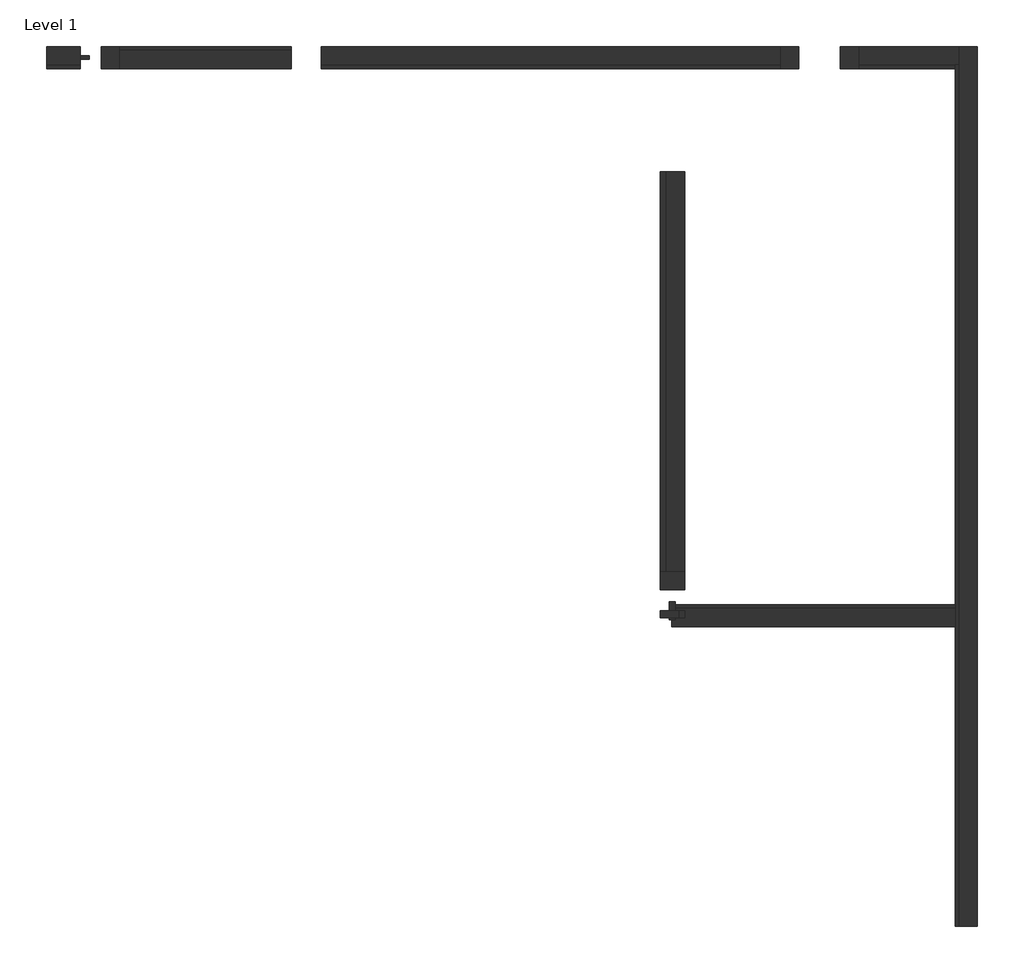
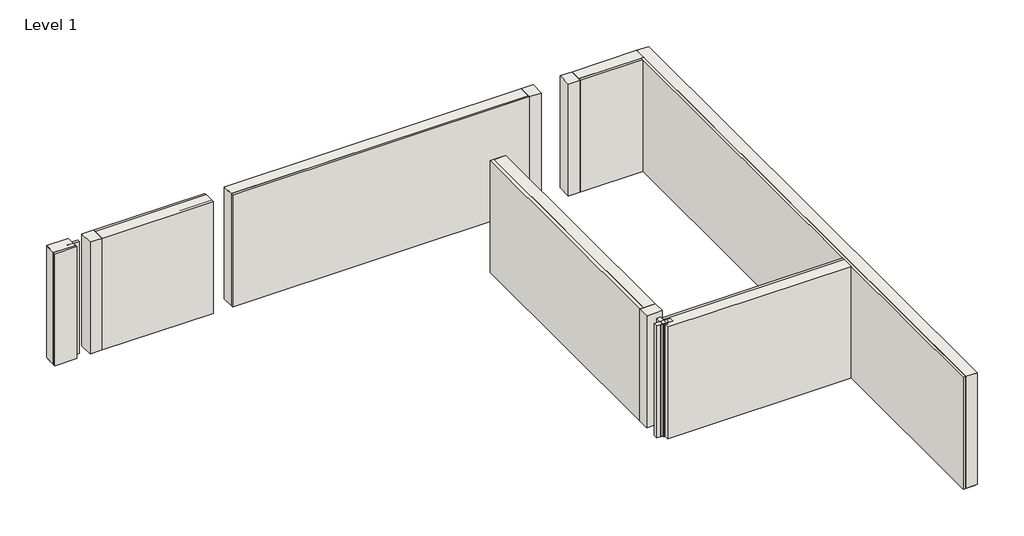
# One storey: 22 walls.
"""IFC4 building model written with IfcOpenShell, lengths in millimetres."""

from ifc_helpers import new_model, si_unit, origin, origin_with_axes, place, context, project, spatial, polyline, outline, extrude, faceted_brep, element, save

model = new_model("IFC4")

# Units and contexts
model_context = context("Model", 3, world=origin())
ifc_project = project(units=[si_unit("LENGTHUNIT", "METRE", prefix="MILLI")], contexts=[model_context])

# Site, building, storey
site = spatial("IfcSite", under=ifc_project)
building = spatial("IfcBuilding", under=site)
storey = spatial("IfcBuildingStorey", under=building, Name="Level 1", Elevation=0.0)

# Walls
placement = place(None, origin())
element("IfcWall", 1, ObjectType="Wall 1", at=placement, inside=storey, context=model_context, shape_type="Brep", body=[
    faceted_brep([(30667.3, -357.5, 0.0), (30667.3, 28967.3, 0.0), (30667.3, 28967.3, 6096.0), (30667.3, -357.5, 6096.0), (30057.7, -357.5, 0.0), (30057.7, -357.5, 6096.0), (30057.7, 28232.7, 6096.0), (30057.7, 28357.7, 6096.0), (30057.7, 28842.3, 6096.0), (30057.7, 28967.3, 6096.0), (30057.7, 28967.3, 0.0), (30057.7, 28842.3, 0.0), (30057.7, 28357.7, 0.0), (30057.7, 28232.7, 0.0)], [[[0, 1, 2, 3]], [[4, 5, 6, 7, 8, 9, 10, 11, 12, 13]], [[1, 0, 4, 13, 12, 11, 10]], [[3, 2, 9, 8, 7, 6, 5]], [[0, 3, 5, 4]], [[2, 1, 10, 9]]]),
])
element("IfcWall", 2, ObjectType="Wall 1", at=placement, inside=storey, context=model_context, shape_type="Brep", body=[
    faceted_brep([(30542.3, -357.5, 0.0), (30542.3, 28357.7, 0.0), (30542.3, 28357.7, 6096.0), (30542.3, -357.5, 6096.0), (29932.7, -357.5, 0.0), (29932.7, -357.5, 6096.0), (29932.7, 9632.7, 6096.0), (29932.7, 9757.7, 6096.0), (29932.7, 10242.3, 6096.0), (29932.7, 10367.3, 6096.0), (29932.7, 28357.7, 6096.0), (29932.7, 28357.7, 0.0), (29932.7, 10367.3, 0.0), (29932.7, 10242.3, 0.0), (29932.7, 9757.7, 0.0), (29932.7, 9632.7, 0.0), (30057.7, 28357.7, 0.0), (30057.7, 28357.7, 6096.0)], [[[0, 1, 2, 3]], [[4, 5, 6, 7, 8, 9, 10, 11, 12, 13, 14, 15]], [[1, 0, 4, 15, 14, 13, 12, 11, 16]], [[3, 2, 17, 10, 9, 8, 7, 6, 5]], [[0, 3, 5, 4]], [[2, 1, 16, 11, 10, 17]]]),
])
element("IfcWall", 3, ObjectType="Wall 1", at=placement, inside=storey, context=model_context, shape_type="SweptSolid", body=[
    extrude(outline(polyline([(24095.2, 28357.7), (8800.0, 28357.7), (8800.0, 28967.3), (24095.2, 28967.3), (24095.2, 28357.7)])), origin_with_axes(), (0.0, 0.0, 1.0), 6096.0),
])
element("IfcWall", 4, ObjectType="Wall 1", at=placement, inside=storey, context=model_context, shape_type="SweptSolid", body=[
    extrude(outline(polyline([(24095.2, 28232.7), (8800.0, 28232.7), (8800.0, 28842.3), (24095.2, 28842.3), (24095.2, 28232.7)])), origin_with_axes(), (0.0, 0.0, 1.0), 6096.0),
])
element("IfcWall", 5, ObjectType="Wall 1", at=placement, inside=storey, context=model_context, shape_type="SweptSolid", body=[
    extrude(outline(polyline([(20904.8, 24800.0), (20904.8, 11469.3703098), (20295.2, 11469.3703098), (20295.2, 24800.0), (20904.8, 24800.0)])), origin_with_axes(), (0.0, 0.0, 1.0), 6096.0),
])
element("IfcWall", 6, ObjectType="Wall 1", at=placement, inside=storey, context=model_context, shape_type="SweptSolid", body=[
    extrude(outline(polyline([(20704.8, 24800.0), (20704.8, 11469.3703098), (20095.2, 11469.3703098), (20095.2, 24800.0), (20704.8, 24800.0)])), origin_with_axes(), (0.0, 0.0, 1.0), 6096.0),
])
element("IfcWall", 7, ObjectType="Wall 1", at=placement, inside=storey, context=model_context, shape_type="SweptSolid", body=[
    extrude(outline(polyline([(29932.7, 9632.7), (20475.0, 9632.7), (20475.0, 10242.3), (29932.7, 10242.3), (29932.7, 9632.7)])), origin_with_axes(), (0.0, 0.0, 1.0), 6096.0),
])
element("IfcWall", 8, ObjectType="Wall 1", at=placement, inside=storey, context=model_context, shape_type="Brep", body=[
    faceted_brep([(20600.0, 9757.7, 0.0), (29932.7, 9757.7, 0.0), (29932.7, 9757.7, 6096.0), (20600.0, 9757.7, 6096.0), (20600.0, 10367.3, 0.0), (20600.0, 10367.3, 6096.0), (29932.7, 10367.3, 6096.0), (29932.7, 10367.3, 0.0), (20600.0, 9859.7703098, 0.0), (20600.0, 9859.7703098, 6096.0)], [[[0, 1, 2, 3]], [[4, 5, 6, 7]], [[1, 0, 8, 4, 7]], [[3, 2, 6, 5, 9]], [[0, 3, 9, 5, 4, 8]], [[2, 1, 7, 6]]]),
])
element("IfcWall", 9, ObjectType="Wall 1", at=placement, inside=storey, context=model_context, shape_type="SweptSolid", body=[
    extrude(outline(polyline([(7800.0, 28232.7), (2072.9979692, 28232.7), (2072.9979692, 28842.3), (7800.0, 28842.3), (7800.0, 28232.7)])), origin_with_axes(), (0.0, 0.0, 1.0), 6096.0),
])
element("IfcWall", 10, ObjectType="Wall 1", at=placement, inside=storey, context=model_context, shape_type="SweptSolid", body=[
    extrude(outline(polyline([(7800.0, 28357.7), (2072.9979692, 28357.7), (2072.9979692, 28967.3), (7800.0, 28967.3), (7800.0, 28357.7)])), origin_with_axes(), (0.0, 0.0, 1.0), 6096.0),
])
element("IfcWall", 11, ObjectType="Wall 1", at=placement, inside=storey, context=model_context, shape_type="Brep", body=[
    faceted_brep([(26704.8, 28357.7, 0.0), (29932.7, 28357.7, 0.0), (30057.7, 28357.7, 0.0), (30057.7, 28357.7, 6096.0), (29932.7, 28357.7, 6096.0), (26704.8, 28357.7, 6096.0), (26704.8, 28967.3, 0.0), (26704.8, 28967.3, 6096.0), (30057.7, 28967.3, 6096.0), (30057.7, 28967.3, 0.0)], [[[0, 1, 2, 3, 4, 5]], [[6, 7, 8, 9]], [[2, 1, 0, 6, 9]], [[5, 4, 3, 8, 7]], [[3, 2, 9, 8]], [[0, 5, 7, 6]]]),
])
element("IfcWall", 12, ObjectType="Wall 1", at=placement, inside=storey, context=model_context, shape_type="SweptSolid", body=[
    extrude(outline(polyline([(30057.7, 28232.7), (26704.8, 28232.7), (26704.8, 28842.3), (30057.7, 28842.3), (30057.7, 28232.7)])), origin_with_axes(), (0.0, 0.0, 1.0), 6096.0),
])
element("IfcWall", 13, ObjectType="Wall 1", at=placement, inside=storey, context=model_context, shape_type="SweptSolid", body=[
    extrude(outline(polyline([(768.1979692, 28357.7), (-357.5, 28357.7), (-357.5, 28967.3), (768.1979692, 28967.3), (768.1979692, 28357.7)])), origin_with_axes(), (0.0, 0.0, 1.0), 6096.0),
])
element("IfcWall", 14, ObjectType="Wall 1", at=placement, inside=storey, context=model_context, shape_type="SweptSolid", body=[
    extrude(outline(polyline([(768.1979692, 28232.7), (-357.5, 28232.7), (-357.5, 28842.3), (768.1979692, 28842.3), (768.1979692, 28232.7)])), origin_with_axes(), (0.0, 0.0, 1.0), 6096.0),
])
element("IfcWall", 15, ObjectType="Wall 1", at=placement, inside=storey, context=model_context, shape_type="SweptSolid", body=[
    extrude(outline(polyline([(20704.8, 10164.5703098), (20704.8, 9937.5), (20095.2, 9937.5), (20095.2, 10164.5703098), (20704.8, 10164.5703098)])), origin_with_axes(), (0.0, 0.0, 1.0), 6096.0),
])
element("IfcWall", 16, ObjectType="Wall 1", at=placement, inside=storey, context=model_context, shape_type="Brep", body=[
    faceted_brep([(20400.0, 9859.7703098, 0.0), (20600.0, 9859.7703098, 0.0), (20600.0, 9859.7703098, 6096.0), (20400.0, 9859.7703098, 6096.0), (20400.0, 10469.3703098, 0.0), (20400.0, 10469.3703098, 6096.0), (20600.0, 10469.3703098, 6096.0), (20600.0, 10469.3703098, 0.0), (20600.0, 10367.3, 0.0), (20600.0, 10367.3, 6096.0)], [[[0, 1, 2, 3]], [[4, 5, 6, 7]], [[1, 0, 4, 7, 8]], [[2, 1, 8, 7, 6, 9]], [[3, 2, 9, 6, 5]], [[0, 3, 5, 4]]]),
])
element("IfcWall", 17, ObjectType="Wall 1", at=placement, inside=storey, context=model_context, shape_type="Brep", body=[
    faceted_brep([(20095.2, 10859.7703098, 0.0), (20904.8, 10859.7703098, 0.0), (20904.8, 10859.7703098, 6096.0), (20095.2, 10859.7703098, 6096.0), (20095.2, 11469.3703098, 0.0), (20095.2, 11469.3703098, 6096.0), (20295.2, 11469.3703098, 6096.0), (20704.8, 11469.3703098, 6096.0), (20904.8, 11469.3703098, 6096.0), (20904.8, 11469.3703098, 0.0), (20704.8, 11469.3703098, 0.0), (20295.2, 11469.3703098, 0.0)], [[[0, 1, 2, 3]], [[4, 5, 6, 7, 8, 9, 10, 11]], [[1, 0, 4, 11, 10, 9]], [[3, 2, 8, 7, 6, 5]], [[2, 1, 9, 8]], [[0, 3, 5, 4]]]),
])
element("IfcWall", 18, ObjectType="Wall 1", at=placement, inside=storey, context=model_context, shape_type="Brep", body=[
    faceted_brep([(24704.8, 28232.7, 0.0), (24704.8, 28967.3, 0.0), (24704.8, 28967.3, 6096.0), (24704.8, 28232.7, 6096.0), (24095.2, 28232.7, 0.0), (24095.2, 28232.7, 6096.0), (24095.2, 28357.7, 6096.0), (24095.2, 28842.3, 6096.0), (24095.2, 28967.3, 6096.0), (24095.2, 28967.3, 0.0), (24095.2, 28842.3, 0.0), (24095.2, 28357.7, 0.0)], [[[0, 1, 2, 3]], [[4, 5, 6, 7, 8, 9, 10, 11]], [[1, 0, 4, 11, 10, 9]], [[3, 2, 8, 7, 6, 5]], [[2, 1, 9, 8]], [[0, 3, 5, 4]]]),
])
element("IfcWall", 19, ObjectType="Wall 1", at=placement, inside=storey, context=model_context, shape_type="Brep", body=[
    faceted_brep([(2072.9979692, 28232.7, 0.0), (2072.9979692, 28357.7, 0.0), (2072.9979692, 28842.3, 0.0), (2072.9979692, 28967.3, 0.0), (2072.9979692, 28967.3, 6096.0), (2072.9979692, 28842.3, 6096.0), (2072.9979692, 28357.7, 6096.0), (2072.9979692, 28232.7, 6096.0), (1463.3979692, 28232.7, 0.0), (1463.3979692, 28232.7, 6096.0), (1463.3979692, 28967.3, 6096.0), (1463.3979692, 28967.3, 0.0)], [[[0, 1, 2, 3, 4, 5, 6, 7]], [[8, 9, 10, 11]], [[3, 2, 1, 0, 8, 11]], [[7, 6, 5, 4, 10, 9]], [[0, 7, 9, 8]], [[4, 3, 11, 10]]]),
])
element("IfcWall", 20, ObjectType="Wall 1", at=placement, inside=storey, context=model_context, shape_type="SweptSolid", body=[
    extrude(outline(polyline([(1072.9979692, 28662.5), (1072.9979692, 28537.5), (463.3979692, 28537.5), (463.3979692, 28662.5), (1072.9979692, 28662.5)])), origin_with_axes(), (0.0, 0.0, 1.0), 6096.0),
])
element("IfcWall", 21, ObjectType="Wall 1", at=placement, inside=storey, context=model_context, shape_type="Brep", body=[
    faceted_brep([(26704.8, 28232.7, 0.0), (26704.8, 28357.7, 0.0), (26704.8, 28842.3, 0.0), (26704.8, 28967.3, 0.0), (26704.8, 28967.3, 6096.0), (26704.8, 28842.3, 6096.0), (26704.8, 28357.7, 6096.0), (26704.8, 28232.7, 6096.0), (26095.2, 28232.7, 0.0), (26095.2, 28232.7, 6096.0), (26095.2, 28967.3, 6096.0), (26095.2, 28967.3, 0.0)], [[[0, 1, 2, 3, 4, 5, 6, 7]], [[8, 9, 10, 11]], [[3, 2, 1, 0, 8, 11]], [[7, 6, 5, 4, 10, 9]], [[4, 3, 11, 10]], [[0, 7, 9, 8]]]),
])
element("IfcWall", 22, ObjectType="Wall 1", at=placement, inside=storey, context=model_context, shape_type="SweptSolid", body=[
    extrude(outline(polyline([(20904.8, 10164.5703098), (20904.8, 9937.5), (20295.2, 9937.5), (20295.2, 10164.5703098), (20904.8, 10164.5703098)])), origin_with_axes(), (0.0, 0.0, 1.0), 6096.0),
])

save(model, "model.ifc")
